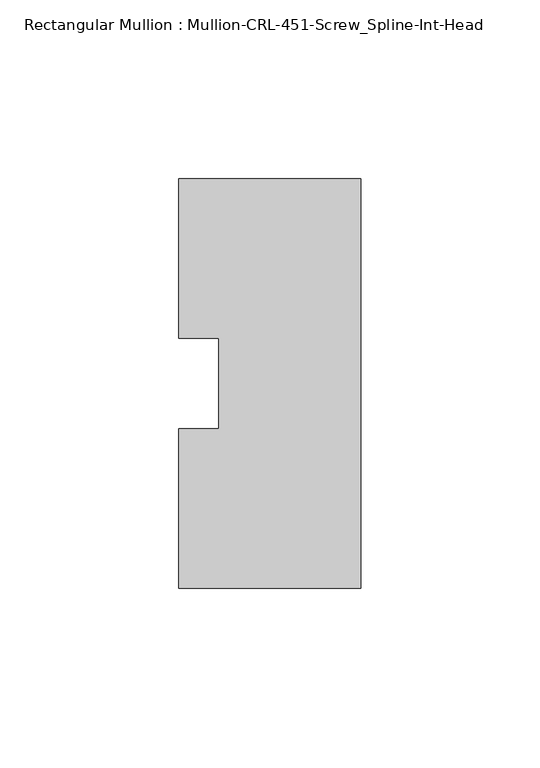
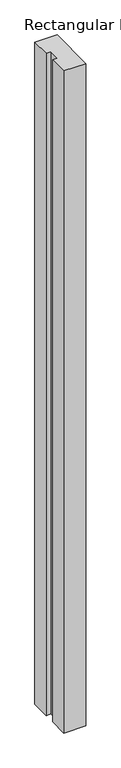
"""IFC4 building model written with IfcOpenShell, lengths in millimetres: member geometry, Rectangular Mullion : Mullion-CRL-451-Screw_Spline-Int-Head."""

import ifcopenshell
import ifcopenshell.guid

model = None  # the IFC model being written
_history = None  # IfcOwnerHistory: only IFC2X3 demands one
_inside = {}  # id of a spatial element -> (the spatial element, [elements in it])
_under = {}  # id of a project, library or spatial element -> (it, [spatial elements below it])
_declared = {}  # id of a project -> (the project, [libraries it declares])
_typed = {}  # id of a type object -> (the type object, [elements of that type])
_made_of = {}  # id of a material, layer set ... -> (it, [elements and type objects made of it])


def new_model(schema):
    """Start an empty IFC model of exactly this schema.

    Asked for "IFC4X3", IfcOpenShell would pick the latest addendum, in which some entities
    have other attributes; the version numbers below select the first issue.
    IFC2X3 requires an IfcOwnerHistory on every rooted entity: one is made here for all.
    """
    global model, _history
    if schema == "IFC4X3":
        model = ifcopenshell.file(schema_version=(4, 3, 0, 0))
    else:
        model = ifcopenshell.file(schema=schema)
    _inside.clear()
    _under.clear()
    _declared.clear()
    _typed.clear()
    _made_of.clear()
    _history = None
    if model.schema == "IFC2X3":
        org = make("IfcOrganization", Name="unknown")
        user = make(
            "IfcPersonAndOrganization",
            ThePerson=make("IfcPerson", FamilyName="unknown"),
            TheOrganization=org,
        )
        app = make(
            "IfcApplication",
            ApplicationDeveloper=org,
            Version="unknown",
            ApplicationFullName="unknown",
            ApplicationIdentifier="unknown",
        )
        _history = make(
            "IfcOwnerHistory",
            OwningUser=user,
            OwningApplication=app,
            ChangeAction="ADDED",
            CreationDate=0,
        )
    return model


def make(cls, **values):
    """One entity of the class cls with the attributes given. An attribute that is None is left unset."""
    return model.create_entity(
        cls, **{name: value for name, value in values.items() if value is not None}
    )


def rooted(cls, **values):
    """An entity with a GlobalId (a new one), such as an element, a storey or a relation."""
    return make(cls, GlobalId=ifcopenshell.guid.new(), OwnerHistory=_history, **values)


def si_unit(unit_type, name, prefix=None):
    """IfcSIUnit, for example si_unit("LENGTHUNIT", "METRE", prefix="MILLI")."""
    return make("IfcSIUnit", UnitType=unit_type, Prefix=prefix, Name=name)


def assignment(units):
    """IfcUnitAssignment: the units of a project."""
    return None if units is None else make("IfcUnitAssignment", Units=units)


def point(xyz):
    """IfcCartesianPoint."""
    return None if xyz is None else make("IfcCartesianPoint", Coordinates=xyz)


def direction(xyz):
    """IfcDirection."""
    return None if xyz is None else make("IfcDirection", DirectionRatios=xyz)


def frame(location, z_axis=None, x_axis=None):
    """IfcAxis2Placement3D, a coordinate frame: its origin and axes. An axis left out is left unset."""
    return make(
        "IfcAxis2Placement3D",
        Location=point(location),
        Axis=direction(z_axis),
        RefDirection=direction(x_axis),
    )


def origin():
    """The frame at (0, 0, 0) with its axes left unset."""
    return frame((0.0, 0.0, 0.0))


def place(relative_to, where):
    """IfcLocalPlacement: puts the frame where relative to a parent placement (None: the world)."""
    return make(
        "IfcLocalPlacement", PlacementRelTo=relative_to, RelativePlacement=where
    )


def context(
    kind, dimensions, precision=None, world=None, true_north=None, identifier=None
):
    """IfcGeometricRepresentationContext, for example the 3D "Model" context."""
    return make(
        "IfcGeometricRepresentationContext",
        ContextIdentifier=identifier,
        ContextType=kind,
        CoordinateSpaceDimension=dimensions,
        Precision=precision,
        WorldCoordinateSystem=world,
        TrueNorth=true_north,
    )


def project(units=None, contexts=None):
    """IfcProject with its units and contexts."""
    return rooted(
        "IfcProject",
        Name="project",
        RepresentationContexts=contexts,
        UnitsInContext=assignment(units),
    )


def spatial(cls, under=None, at=None, **own):
    """A site, building, storey or space (cls), placed at a placement, below another one or the project."""
    s = rooted(cls, ObjectPlacement=at, **own)
    if under is not None:
        _under.setdefault(under.id(), (under, []))[1].append(s)
    return s


def polyline(points):
    """IfcPolyline through the points."""
    return make("IfcPolyline", Points=[point(p) for p in points])


def outline(outer, holes=None, kind="AREA"):
    """IfcArbitraryClosedProfileDef: a profile drawn as a closed curve; with holes, ...WithVoids."""
    if holes is None:
        return make("IfcArbitraryClosedProfileDef", ProfileType=kind, OuterCurve=outer)
    return make(
        "IfcArbitraryProfileDefWithVoids",
        ProfileType=kind,
        OuterCurve=outer,
        InnerCurves=holes,
    )


def extrude(swept, where, along, depth):
    """IfcExtrudedAreaSolid: the profile swept, set in the frame where, extruded along a direction by depth."""
    return make(
        "IfcExtrudedAreaSolid",
        SweptArea=swept,
        Position=where,
        ExtrudedDirection=direction(along),
        Depth=depth,
    )


def shape(context_of_items, identifier, shape_type, items):
    """IfcShapeRepresentation: the items that make up one representation, for example the "Body"."""
    return make(
        "IfcShapeRepresentation",
        ContextOfItems=context_of_items,
        RepresentationIdentifier=identifier,
        RepresentationType=shape_type,
        Items=items,
    )


def source(mapping_origin, context_of_items, identifier, shape_type, items):
    """IfcRepresentationMap: a shape defined once, which mapped items show again and again."""
    return make(
        "IfcRepresentationMap",
        MappingOrigin=mapping_origin,
        MappedRepresentation=shape(context_of_items, identifier, shape_type, items),
    )


def transform(
    local_origin,
    x_axis=None,
    y_axis=None,
    z_axis=None,
    scale=None,
    scale2=None,
    scale3=None,
    uniform=True,
):
    """IfcCartesianTransformationOperator3D, or its non-uniform kind. x_axis, y_axis, z_axis: its Axis1, 2, 3."""
    if uniform:
        return make(
            "IfcCartesianTransformationOperator3D",
            Axis1=direction(x_axis),
            Axis2=direction(y_axis),
            LocalOrigin=point(local_origin),
            Scale=scale,
            Axis3=direction(z_axis),
        )
    return make(
        "IfcCartesianTransformationOperator3DnonUniform",
        Axis1=direction(x_axis),
        Axis2=direction(y_axis),
        LocalOrigin=point(local_origin),
        Scale=scale,
        Axis3=direction(z_axis),
        Scale2=scale2,
        Scale3=scale3,
    )


def mapped(mapping_source, mapping_target):
    """IfcMappedItem: shows the shape of a source again, moved by a transform."""
    return make(
        "IfcMappedItem", MappingSource=mapping_source, MappingTarget=mapping_target
    )


def made_of(thing, what):
    """Note that an element or type object is made of a material, layer set ...; save() writes the relation."""
    if what is not None:
        _made_of.setdefault(what.id(), (what, []))[1].append(thing)
    return thing


def element(
    cls,
    number,
    at=None,
    inside=None,
    cuts=None,
    type_object=None,
    material=None,
    context=None,
    identifier="Body",
    shape_type=None,
    held_by="IfcProductDefinitionShape",
    body=None,
    shapes=None,
    **own,
):
    """One element of the class cls, such as IfcWall. Its Tag is "e" and its number.

    at: its placement. inside: the storey or other place that contains it. cuts: it is an
    opening in that element (IfcRelVoidsElement). A single representation is given by context,
    identifier, shape_type and body (its items); several are given by shapes. held_by: the class
    of the entity that holds the representations. save() writes the other relations.
    """
    e = rooted(cls, Tag="e%d" % number, ObjectPlacement=at, **own)
    if body is not None:
        shapes = [shape(context, identifier, shape_type, body)]
    if shapes is not None:
        e.Representation = make(held_by, Representations=shapes)
    if inside is not None:
        _inside.setdefault(inside.id(), (inside, []))[1].append(e)
    if cuts is not None:
        rooted(
            "IfcRelVoidsElement", RelatingBuildingElement=cuts, RelatedOpeningElement=e
        )
    if type_object is not None:
        _typed.setdefault(type_object.id(), (type_object, []))[1].append(e)
    return made_of(e, material)


def aggregate(whole, parts):
    """IfcRelAggregates: a whole, such as a stair, and the parts it consists of."""
    return rooted("IfcRelAggregates", RelatingObject=whole, RelatedObjects=parts)


def save(model, path):
    """Write the relations noted so far, then the file.

    IfcRelAggregates (storeys below a building ...), IfcRelContainedInSpatialStructure (elements
    in a storey), IfcRelDefinesByType, IfcRelAssociatesMaterial and IfcRelDeclares: one each for
    every whole, place, type object, material and project.
    """
    for whole, parts in _under.values():
        aggregate(whole, parts)
    for where, things in _inside.values():
        rooted(
            "IfcRelContainedInSpatialStructure",
            RelatedElements=things,
            RelatingStructure=where,
        )
    for kind, things in _typed.values():
        rooted("IfcRelDefinesByType", RelatedObjects=things, RelatingType=kind)
    for what, things in _made_of.values():
        rooted("IfcRelAssociatesMaterial", RelatedObjects=things, RelatingMaterial=what)
    for by, libraries in _declared.values():
        rooted("IfcRelDeclares", RelatingContext=by, RelatedDefinitions=libraries)
    model.write(path)


def rectangular_mullion_mullion_crl_451_screw_spline_int_head_d3beec40(model_context):
    return source(origin(), model_context, "Body", "SweptSolid", [
        extrude(outline(polyline([(0.0, -57.15), (-50.8, -57.15), (-50.8, -12.7), (-39.6875, -12.7), (-39.6875, 12.7), (-50.8, 12.7), (-50.8, 57.15), (0.0, 57.15), (0.0, -57.15)])), frame((0.0, 0.0, -1603.375), z_axis=(0.0, 0.0, 1.0), x_axis=(1.0, 0.0, 0.0)), (0.0, 0.0, 1.0), 1603.375),
    ])


if __name__ == "__main__":
    model = new_model("IFC4")
    model_context = context("Model", 3, world=origin())
    ifc_project = project(units=[si_unit("LENGTHUNIT", "METRE", prefix="MILLI")], contexts=[model_context])
    site = spatial("IfcSite", under=ifc_project)
    building = spatial("IfcBuilding", under=site)
    placement = place(None, origin())
    rectangular_mullion_mullion_crl_451_screw_spline_int_head_shape = rectangular_mullion_mullion_crl_451_screw_spline_int_head_d3beec40(model_context)
    element("IfcMember", 1, ObjectType="Rectangular Mullion : Mullion-CRL-451-Screw_Spline-Int-Head", at=placement, inside=building, context=model_context, shape_type="MappedRepresentation", body=[
        mapped(rectangular_mullion_mullion_crl_451_screw_spline_int_head_shape, transform((0.0, 0.0, 0.0), x_axis=(1.0, 0.0, 0.0), y_axis=(0.0, 1.0, 0.0), z_axis=(0.0, 0.0, 1.0))),
    ])
    save(model, "model.ifc")
